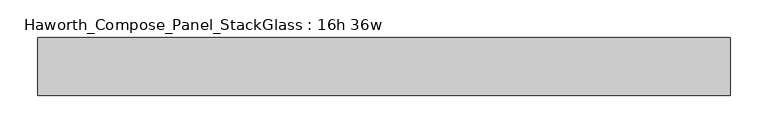
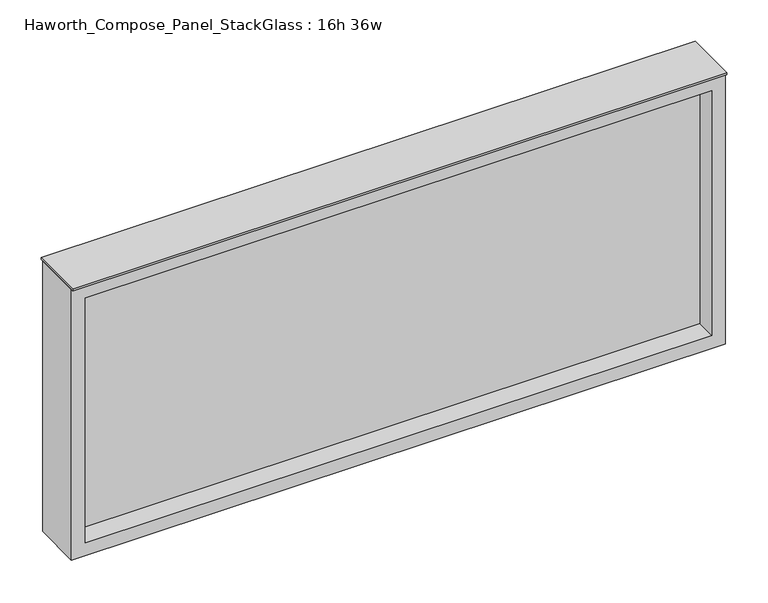
"""IFC4 building model written with IfcOpenShell, lengths in millimetres: furniture geometry, Haworth_Compose_Panel_StackGlass : 16h 36w."""

from ifc_helpers import new_model, si_unit, frame, origin, place, context, project, spatial, polyline, outline, extrude, source, transform, mapped, element, save


def haworth_compose_panel_stackglass_16h_36w_9b396d69(model_context):
    return source(origin(), model_context, "Body", "SweptSolid", [
        extrude(outline(polyline([(440.5902902, -6.35), (-435.7097098, -6.35), (-435.7097098, 6.35), (440.5902902, 6.35), (440.5902902, -6.35)])), frame((0.0, 0.0, 1085.85), z_axis=(0.0, 0.0, 1.0), x_axis=(1.0, 0.0, 0.0)), (0.0, 0.0, 1.0), 361.95),
        extrude(outline(polyline([(1466.85, -454.7597098), (1066.8, -454.7597098), (1066.8, 459.6402902), (1466.85, 459.6402902), (1466.85, -454.7597098)]), holes=[polyline([(1447.8, 440.5902902), (1085.85, 440.5902902), (1085.85, -435.7097098), (1447.8, -435.7097098), (1447.8, 440.5902902)])]), frame((0.0, -34.925, 0.0), z_axis=(0.0, 1.0, 0.0), x_axis=(0.0, 0.0, 1.0)), (0.0, 0.0, 1.0), 69.85),
        extrude(outline(polyline([(-454.7597098, -38.1), (-454.7597098, 38.1), (459.6402902, 38.1), (459.6402902, -38.1), (-454.7597098, -38.1)])), frame((0.0, 0.0, 1466.85), z_axis=(0.0, 0.0, 1.0), x_axis=(1.0, 0.0, 0.0)), (0.0, 0.0, 1.0), 3.175),
    ])


if __name__ == "__main__":
    model = new_model("IFC4")
    model_context = context("Model", 3, world=origin())
    ifc_project = project(units=[si_unit("LENGTHUNIT", "METRE", prefix="MILLI")], contexts=[model_context])
    site = spatial("IfcSite", under=ifc_project)
    building = spatial("IfcBuilding", under=site)
    placement = place(None, origin())
    haworth_compose_panel_stackglass_16h_36w_shape = haworth_compose_panel_stackglass_16h_36w_9b396d69(model_context)
    element("IfcFurniture", 1, ObjectType="Haworth_Compose_Panel_StackGlass : 16h 36w", at=placement, inside=building, context=model_context, shape_type="MappedRepresentation", body=[
        mapped(haworth_compose_panel_stackglass_16h_36w_shape, transform((0.0, 0.0, 0.0), x_axis=(1.0, 0.0, 0.0), y_axis=(0.0, 1.0, 0.0), z_axis=(0.0, 0.0, 1.0))),
    ])
    save(model, "model.ifc")
